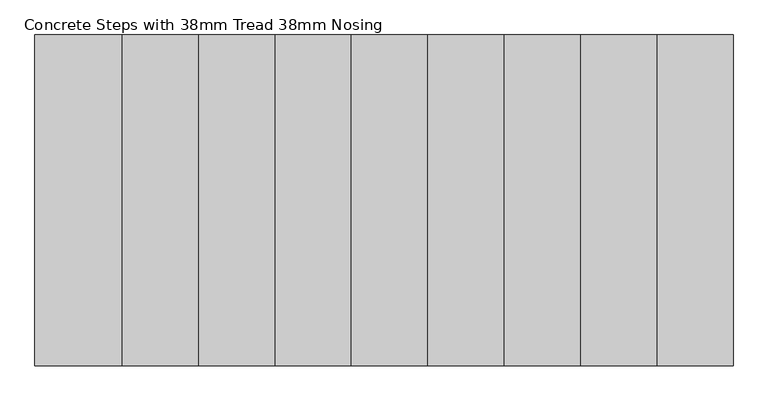
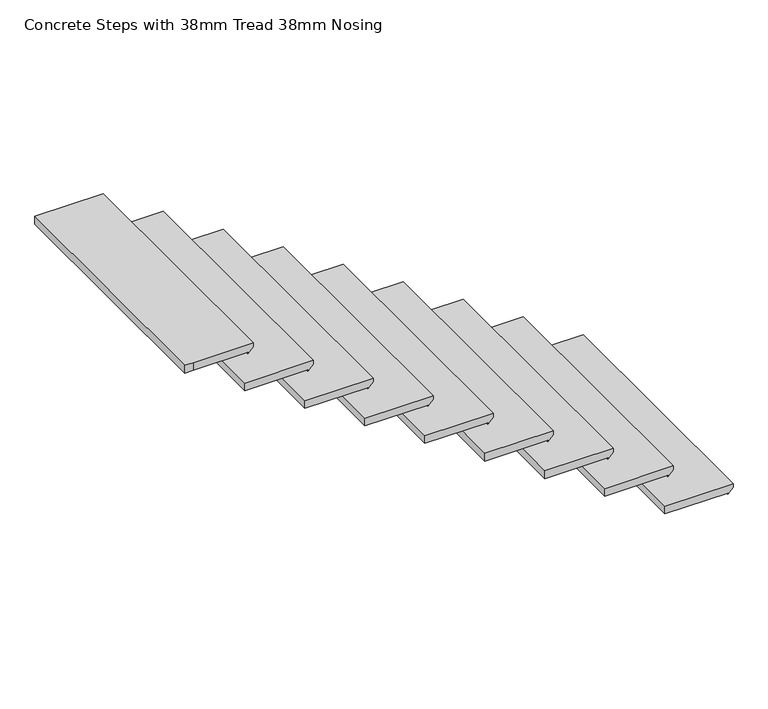
"""IFC4 building model written with IfcOpenShell, lengths in millimetres: stair flight geometry, Concrete Steps with 38mm Tread 38mm Nosing."""

from ifc_helpers import new_model, si_unit, origin, place, context, project, spatial, faceted_brep, source, transform, mapped, element, save


def concrete_steps_with_38mm_tread_38mm_nosing_69d3a73f(model_context):
    return source(origin(), model_context, "Body", "Brep", [
        faceted_brep([(19298.7243946, 8394.9304572, 2401.9047619), (19298.7243946, 9606.9304572, 2401.9047619), (18980.7243946, 9606.9304572, 2401.9047619), (18980.7243946, 8394.9304572, 2401.9047619), (19273.3243946, 8394.9304572, 2363.9047619), (18980.7243946, 8394.9304572, 2363.9047619), (18980.7243946, 9606.9304572, 2363.9047619), (19273.3243946, 9606.9304572, 2363.9047619), (19273.3243946, 8394.9304572, 2357.4547619), (19298.7243946, 8394.9304572, 2382.8547619), (19298.7243946, 9606.9304572, 2382.8547619), (19273.3243946, 9606.9304572, 2357.4547619)], [[[0, 1, 2, 3]], [[4, 5, 6, 7]], [[0, 3, 5, 4, 8, 9]], [[2, 1, 10, 11, 7, 6]], [[3, 2, 6, 5]], [[10, 1, 0, 9]], [[11, 10, 9, 8]], [[11, 8, 4, 7]]]),
        faceted_brep([(19018.7243946, 8394.9304572, 2586.6666667), (19018.7243946, 9606.9304572, 2586.6666667), (18700.7243946, 9606.9304572, 2586.6666667), (18700.7243946, 8394.9304572, 2586.6666667), (18993.3243946, 8394.9304572, 2548.6666667), (18700.7243946, 8394.9304572, 2548.6666667), (18700.7243946, 9606.9304572, 2548.6666667), (18993.3243946, 9606.9304572, 2548.6666667), (18993.3243946, 8394.9304572, 2542.2166667), (19018.7243946, 8394.9304572, 2567.6166667), (19018.7243946, 9606.9304572, 2567.6166667), (18993.3243946, 9606.9304572, 2542.2166667)], [[[0, 1, 2, 3]], [[4, 5, 6, 7]], [[0, 3, 5, 4, 8, 9]], [[2, 1, 10, 11, 7, 6]], [[3, 2, 6, 5]], [[10, 1, 0, 9]], [[11, 10, 9, 8]], [[11, 8, 4, 7]]]),
        faceted_brep([(18738.7243946, 8394.9304572, 2771.4285714), (18738.7243946, 9606.9304572, 2771.4285714), (18420.7243946, 9606.9304572, 2771.4285714), (18420.7243946, 8394.9304572, 2771.4285714), (18713.3243946, 8394.9304572, 2733.4285714), (18420.7243946, 8394.9304572, 2733.4285714), (18420.7243946, 9606.9304572, 2733.4285714), (18713.3243946, 9606.9304572, 2733.4285714), (18713.3243946, 8394.9304572, 2726.9785714), (18738.7243946, 8394.9304572, 2752.3785714), (18738.7243946, 9606.9304572, 2752.3785714), (18713.3243946, 9606.9304572, 2726.9785714)], [[[0, 1, 2, 3]], [[4, 5, 6, 7]], [[0, 3, 5, 4, 8, 9]], [[2, 1, 10, 11, 7, 6]], [[3, 2, 6, 5]], [[10, 1, 0, 9]], [[11, 10, 9, 8]], [[11, 8, 4, 7]]]),
        faceted_brep([(18458.7243946, 8394.9304572, 2956.1904762), (18458.7243946, 9606.9304572, 2956.1904762), (18140.7243946, 9606.9304572, 2956.1904762), (18140.7243946, 8394.9304572, 2956.1904762), (18433.3243946, 8394.9304572, 2918.1904762), (18140.7243946, 8394.9304572, 2918.1904762), (18140.7243946, 9606.9304572, 2918.1904762), (18433.3243946, 9606.9304572, 2918.1904762), (18433.3243946, 8394.9304572, 2911.7404762), (18458.7243946, 8394.9304572, 2937.1404762), (18458.7243946, 9606.9304572, 2937.1404762), (18433.3243946, 9606.9304572, 2911.7404762)], [[[0, 1, 2, 3]], [[4, 5, 6, 7]], [[0, 3, 5, 4, 8, 9]], [[2, 1, 10, 11, 7, 6]], [[3, 2, 6, 5]], [[10, 1, 0, 9]], [[11, 10, 9, 8]], [[11, 8, 4, 7]]]),
        faceted_brep([(18178.7243946, 8394.9304572, 3140.952381), (18178.7243946, 9606.9304572, 3140.952381), (17860.7243946, 9606.9304572, 3140.952381), (17860.7243946, 8394.9304572, 3140.952381), (18153.3243946, 8394.9304572, 3102.952381), (17860.7243946, 8394.9304572, 3102.952381), (17860.7243946, 9606.9304572, 3102.952381), (18153.3243946, 9606.9304572, 3102.952381), (18153.3243946, 8394.9304572, 3096.502381), (18178.7243946, 8394.9304572, 3121.902381), (18178.7243946, 9606.9304572, 3121.902381), (18153.3243946, 9606.9304572, 3096.502381)], [[[0, 1, 2, 3]], [[4, 5, 6, 7]], [[0, 3, 5, 4, 8, 9]], [[2, 1, 10, 11, 7, 6]], [[3, 2, 6, 5]], [[10, 1, 0, 9]], [[11, 10, 9, 8]], [[11, 8, 4, 7]]]),
        faceted_brep([(17898.7243946, 8394.9304572, 3325.7142857), (17898.7243946, 9606.9304572, 3325.7142857), (17580.7243946, 9606.9304572, 3325.7142857), (17580.7243946, 8394.9304572, 3325.7142857), (17873.3243946, 8394.9304572, 3287.7142857), (17580.7243946, 8394.9304572, 3287.7142857), (17580.7243946, 9606.9304572, 3287.7142857), (17873.3243946, 9606.9304572, 3287.7142857), (17873.3243946, 8394.9304572, 3281.2642857), (17898.7243946, 8394.9304572, 3306.6642857), (17898.7243946, 9606.9304572, 3306.6642857), (17873.3243946, 9606.9304572, 3281.2642857)], [[[0, 1, 2, 3]], [[4, 5, 6, 7]], [[0, 3, 5, 4, 8, 9]], [[2, 1, 10, 11, 7, 6]], [[3, 2, 6, 5]], [[10, 1, 0, 9]], [[11, 10, 9, 8]], [[11, 8, 4, 7]]]),
        faceted_brep([(17618.7243946, 8394.9304572, 3510.4761905), (17618.7243946, 9606.9304572, 3510.4761905), (17300.7243946, 9606.9304572, 3510.4761905), (17300.7243946, 8394.9304572, 3510.4761905), (17593.3243946, 8394.9304572, 3472.4761905), (17300.7243946, 8394.9304572, 3472.4761905), (17300.7243946, 9606.9304572, 3472.4761905), (17593.3243946, 9606.9304572, 3472.4761905), (17593.3243946, 8394.9304572, 3466.0261905), (17618.7243946, 8394.9304572, 3491.4261905), (17618.7243946, 9606.9304572, 3491.4261905), (17593.3243946, 9606.9304572, 3466.0261905)], [[[0, 1, 2, 3]], [[4, 5, 6, 7]], [[0, 3, 5, 4, 8, 9]], [[2, 1, 10, 11, 7, 6]], [[3, 2, 6, 5]], [[10, 1, 0, 9]], [[11, 10, 9, 8]], [[11, 8, 4, 7]]]),
        faceted_brep([(17338.7243946, 8394.9304572, 3695.2380952), (17338.7243946, 9606.9304572, 3695.2380952), (17020.7243946, 9606.9304572, 3695.2380952), (17020.7243946, 8394.9304572, 3695.2380952), (17313.3243946, 8394.9304572, 3657.2380952), (17020.7243946, 8394.9304572, 3657.2380952), (17020.7243946, 9606.9304572, 3657.2380952), (17313.3243946, 9606.9304572, 3657.2380952), (17313.3243946, 8394.9304572, 3650.7880952), (17338.7243946, 8394.9304572, 3676.1880952), (17338.7243946, 9606.9304572, 3676.1880952), (17313.3243946, 9606.9304572, 3650.7880952)], [[[0, 1, 2, 3]], [[4, 5, 6, 7]], [[0, 3, 5, 4, 8, 9]], [[2, 1, 10, 11, 7, 6]], [[3, 2, 6, 5]], [[10, 1, 0, 9]], [[11, 10, 9, 8]], [[11, 8, 4, 7]]]),
        faceted_brep([(16740.7243946, 8394.9304572, 3880.0), (16778.7243946, 8394.9304572, 3880.0), (17058.7243946, 8394.9304572, 3880.0), (17058.7243946, 9606.9304572, 3880.0), (16740.7243946, 9606.9304572, 3880.0), (16778.7243946, 8394.9304572, 3842.0), (16740.7243946, 8394.9304572, 3842.0), (16740.7243946, 9606.9304572, 3842.0), (17033.3243946, 9606.9304572, 3842.0), (17033.3243946, 8394.9304572, 3842.0), (17058.7243946, 9606.9304572, 3860.95), (17033.3243946, 9606.9304572, 3835.55), (17058.7243946, 8394.9304572, 3860.95), (17033.3243946, 8394.9304572, 3835.55)], [[[0, 1, 2, 3, 4]], [[5, 6, 7, 8, 9]], [[1, 0, 6, 5]], [[4, 3, 10, 11, 8, 7]], [[0, 4, 7, 6]], [[10, 3, 2, 12]], [[11, 10, 12, 13]], [[11, 13, 9, 8]], [[2, 1, 5, 9, 13, 12]]]),
    ])


if __name__ == "__main__":
    model = new_model("IFC4")
    model_context = context("Model", 3, world=origin())
    ifc_project = project(units=[si_unit("LENGTHUNIT", "METRE", prefix="MILLI")], contexts=[model_context])
    site = spatial("IfcSite", under=ifc_project)
    building = spatial("IfcBuilding", under=site)
    placement = place(None, origin())
    concrete_steps_with_38mm_tread_38mm_nosing_shape = concrete_steps_with_38mm_tread_38mm_nosing_69d3a73f(model_context)
    element("IfcStairFlight", 1, ObjectType="Concrete Steps with 38mm Tread 38mm Nosing", at=placement, inside=building, context=model_context, shape_type="MappedRepresentation", body=[
        mapped(concrete_steps_with_38mm_tread_38mm_nosing_shape, transform((0.0, 0.0, 0.0), x_axis=(1.0, 0.0, 0.0), y_axis=(0.0, 1.0, 0.0), z_axis=(0.0, 0.0, 1.0))),
    ])
    save(model, "model.ifc")
